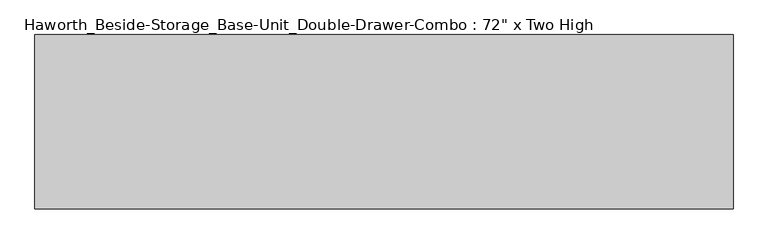
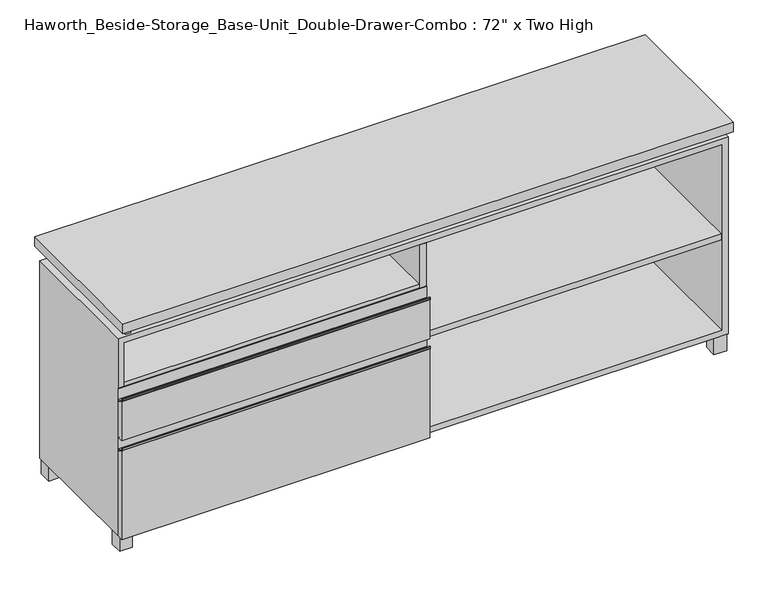
"""IFC4 building model written with IfcOpenShell, lengths in millimetres: furniture geometry."""

from ifc_helpers import new_model, si_unit, point, frame, frame_2d, origin, origin_with_axes, place, context, project, spatial, polyline, circle_curve, trimmed, segment, composite_curve, outline, extrude, source, transform, mapped, element, save


def furniture_82db34ea(model_context):
    return source(origin(), model_context, "Body", "SweptSolid", [
        extrude(outline(polyline([(-9.5111094, 234.95), (-9.5111094, -136.525), (-895.3361094, -136.525), (-895.3361094, 234.95), (-9.5111094, 234.95)])), frame((0.0, 0.0, 510.38125), z_axis=(0.0, 0.0, 1.0), x_axis=(1.0, 0.0, 0.0)), (0.0, 0.0, 1.0), 19.05),
        extrude(outline(composite_curve([segment(polyline([(-139.7, 477.04375), (-158.75, 488.15625)]), True, "CONTINUOUS"), segment(trimmed(circle_curve(frame_2d((-157.5501571, 490.2131235)), 2.38125), [point((-158.75, 488.15625))], [point((-159.9314071, 490.2131235))], False, "CARTESIAN"), True, "CONTINUOUS"), segment(polyline([(-159.9314071, 490.2131235), (-159.9314071, 495.3)]), True, "CONTINUOUS"), segment(trimmed(circle_curve(frame_2d((-159.1376571, 495.3)), 0.79375), [point((-159.9314071, 495.3))], [point((-158.3439071, 495.3))], False, "CARTESIAN"), True, "CONTINUOUS"), segment(polyline([(-158.3439071, 495.3), (-158.3439071, 490.2131235)]), True, "CONTINUOUS"), segment(trimmed(circle_curve(frame_2d((-157.5501571, 490.2131235)), 0.79375), [point((-158.3439071, 490.2131235))], [point((-157.9501047, 489.527499))], True, "CARTESIAN"), True, "CONTINUOUS"), segment(polyline([(-157.9501047, 489.527499), (-146.0622905, 482.5929407)]), True, "CONTINUOUS"), segment(trimmed(circle_curve(frame_2d((-144.4625, 485.3354387)), 3.175), [point((-146.0622905, 482.5929407))], [point((-141.2875, 485.3354387))], True, "CARTESIAN"), True, "CONTINUOUS"), segment(polyline([(-141.2875, 485.3354387), (-141.2875, 519.1125)]), True, "CONTINUOUS"), segment(trimmed(circle_curve(frame_2d((-140.49375, 519.1125)), 0.79375), [point((-141.2875, 519.1125))], [point((-139.7, 519.1125))], False, "CARTESIAN"), True, "CONTINUOUS"), segment(polyline([(-139.7, 519.1125), (-139.7, 477.04375)]), True, "CONTINUOUS")], self_intersect=False)), frame((-914.3861094, 0.0, 0.0), z_axis=(1.0, 0.0, 0.0), x_axis=(0.0, 1.0, 0.0)), (0.0, 0.0, 1.0), 923.925),
        extrude(outline(polyline([(-139.7, 363.5375), (-158.75, 363.5375), (-158.75, 488.15625), (-139.7, 477.04375), (-139.7, 363.5375)])), frame((-914.3861094, 0.0, 0.0), z_axis=(1.0, 0.0, 0.0), x_axis=(0.0, 1.0, 0.0)), (0.0, 0.0, 1.0), 923.925),
        extrude(outline(composite_curve([segment(polyline([(-139.7, 320.675), (-158.75, 331.7875)]), True, "CONTINUOUS"), segment(trimmed(circle_curve(frame_2d((-157.5501571, 333.8443735)), 2.38125), [point((-158.75, 331.7875))], [point((-159.9314071, 333.8443735))], False, "CARTESIAN"), True, "CONTINUOUS"), segment(polyline([(-159.9314071, 333.8443735), (-159.9314071, 338.93125)]), True, "CONTINUOUS"), segment(trimmed(circle_curve(frame_2d((-159.1376571, 338.93125)), 0.79375), [point((-159.9314071, 338.93125))], [point((-158.3439071, 338.93125))], False, "CARTESIAN"), True, "CONTINUOUS"), segment(polyline([(-158.3439071, 338.93125), (-158.3439071, 333.8443735)]), True, "CONTINUOUS"), segment(trimmed(circle_curve(frame_2d((-157.5501571, 333.8443735)), 0.79375), [point((-158.3439071, 333.8443735))], [point((-157.9501047, 333.158749))], True, "CARTESIAN"), True, "CONTINUOUS"), segment(polyline([(-157.9501047, 333.158749), (-146.0622905, 326.2241907)]), True, "CONTINUOUS"), segment(trimmed(circle_curve(frame_2d((-144.4625, 328.9666887)), 3.175), [point((-146.0622905, 326.2241907))], [point((-141.2875, 328.9666887))], True, "CARTESIAN"), True, "CONTINUOUS"), segment(polyline([(-141.2875, 328.9666887), (-141.2875, 362.74375)]), True, "CONTINUOUS"), segment(trimmed(circle_curve(frame_2d((-140.49375, 362.74375)), 0.79375), [point((-141.2875, 362.74375))], [point((-139.7, 362.74375))], False, "CARTESIAN"), True, "CONTINUOUS"), segment(polyline([(-139.7, 362.74375), (-139.7, 320.675)]), True, "CONTINUOUS")], self_intersect=False)), frame((-914.3861094, 0.0, 0.0), z_axis=(1.0, 0.0, 0.0), x_axis=(0.0, 1.0, 0.0)), (0.0, 0.0, 1.0), 923.925),
        extrude(outline(polyline([(-139.7, 50.8), (-158.75, 50.8), (-158.75, 331.7875), (-139.7, 320.675), (-139.7, 50.8)])), frame((-914.3861094, 0.0, 0.0), z_axis=(1.0, 0.0, 0.0), x_axis=(0.0, 1.0, 0.0)), (0.0, 0.0, 1.0), 923.925),
        extrude(outline(polyline([(895.3569453, 234.95), (895.3569453, -136.525), (9.5319453, -136.525), (9.5319453, 234.95), (895.3569453, 234.95)])), frame((0.0, 0.0, 354.0125), z_axis=(0.0, 0.0, 1.0), x_axis=(1.0, 0.0, 0.0)), (0.0, 0.0, 1.0), 19.05),
        extrude(outline(polyline([(-19.0361094, 95.25), (19.0638906, 95.25), (19.0638906, 57.15), (-19.0361094, 57.15), (-19.0361094, 95.25)])), origin_with_axes(), (0.0, 0.0, 1.0), 50.8),
        extrude(outline(polyline([(914.4138906, 292.1), (914.4138906, -165.1), (-914.3861094, -165.1), (-914.3861094, 292.1), (914.4138906, 292.1)])), frame((0.0, 0.0, 706.4375), z_axis=(0.0, 0.0, 1.0), x_axis=(1.0, 0.0, 0.0)), (0.0, 0.0, 1.0), 30.1625),
        extrude(outline(polyline([(871.5513906, -101.6), (909.6513906, -101.6), (909.6513906, -139.7), (871.5513906, -139.7), (871.5513906, -101.6)])), origin_with_axes(), (0.0, 0.0, 1.0), 50.8),
        extrude(outline(polyline([(871.5513906, 228.6), (871.5513906, 266.7), (909.6513906, 266.7), (909.6513906, 228.6), (871.5513906, 228.6)])), origin_with_axes(), (0.0, 0.0, 1.0), 50.8),
        extrude(outline(polyline([(-871.5236094, -101.6), (-871.5236094, -139.7), (-909.6236094, -139.7), (-909.6236094, -101.6), (-871.5236094, -101.6)])), origin_with_axes(), (0.0, 0.0, 1.0), 50.8),
        extrude(outline(polyline([(-871.5236094, 228.6), (-909.6236094, 228.6), (-909.6236094, 266.7), (-871.5236094, 266.7), (-871.5236094, 228.6)])), origin_with_axes(), (0.0, 0.0, 1.0), 50.8),
        extrude(outline(polyline([(-888.9791641, -133.35), (-888.9791641, 234.95), (-873.1041641, 234.95), (-873.1041641, 73.025), (-7.9236094, 73.025), (-7.9236094, 247.65), (7.9513906, 247.65), (7.9513906, 73.025), (873.1111094, 73.025), (873.1111094, 247.65), (888.9861094, 247.65), (888.9861094, -120.65), (873.1111094, -120.65), (873.1111094, 53.975), (7.9513906, 53.975), (7.9513906, -120.65), (-7.9236094, -120.65), (-7.9236094, 53.975), (-873.1041641, 53.975), (-873.1041641, -133.35), (-888.9791641, -133.35)])), frame((0.0, 0.0, 676.275), z_axis=(0.0, 0.0, 1.0), x_axis=(1.0, 0.0, 0.0)), (0.0, 0.0, 1.0), 30.1625),
        extrude(outline(polyline([(9.5388906, 234.95), (9.5388906, -139.7), (-9.5111094, -139.7), (-9.5111094, 234.95), (9.5388906, 234.95)])), frame((0.0, 0.0, 69.85), z_axis=(0.0, 0.0, 1.0), x_axis=(1.0, 0.0, 0.0)), (0.0, 0.0, 1.0), 587.375),
        extrude(outline(polyline([(50.8, -914.3861094), (50.8, 914.4), (676.275, 914.4), (676.275, -914.3861094), (50.8, -914.3861094)]), holes=[polyline([(69.85, -895.3361094), (657.225, -895.3361094), (657.225, 895.3361094), (69.85, 895.3361094), (69.85, -895.3361094)])]), frame((0.0, -139.7, 0.0), z_axis=(0.0, 1.0, 0.0), x_axis=(0.0, 0.0, 1.0)), (0.0, 0.0, 1.0), 406.4),
        extrude(outline(polyline([(-895.3291641, 234.95), (-895.3291641, 241.3), (895.3569453, 241.3), (895.3569453, 234.95), (-895.3291641, 234.95)])), frame((0.0, 0.0, 69.85), z_axis=(0.0, 0.0, 1.0), x_axis=(1.0, 0.0, 0.0)), (0.0, 0.0, 1.0), 587.375),
    ])


if __name__ == "__main__":
    model = new_model("IFC4")
    model_context = context("Model", 3, world=origin())
    ifc_project = project(units=[si_unit("LENGTHUNIT", "METRE", prefix="MILLI")], contexts=[model_context])
    site = spatial("IfcSite", under=ifc_project)
    building = spatial("IfcBuilding", under=site)
    placement = place(None, origin())
    furniture_shape = furniture_82db34ea(model_context)
    element("IfcFurniture", 1, ObjectType="Haworth_Beside-Storage_Base-Unit_Double-Drawer-Combo : 72\" x Two High", at=placement, inside=building, context=model_context, shape_type="MappedRepresentation", body=[
        mapped(furniture_shape, transform((0.0, 0.0, 0.0), x_axis=(1.0, 0.0, 0.0), y_axis=(0.0, 1.0, 0.0), z_axis=(0.0, 0.0, 1.0))),
    ])
    save(model, "model.ifc")
